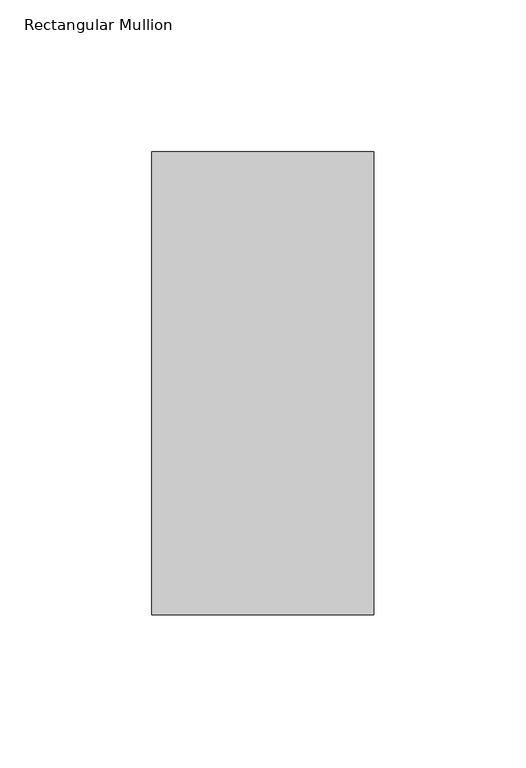
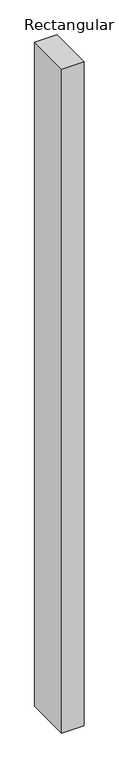
"""IFC4 building model written with IfcOpenShell, lengths in millimetres: member geometry, Rectangular Mullion."""

from ifc_helpers import new_model, si_unit, frame, origin, place, context, project, spatial, polyline, outline, extrude, source, transform, mapped, element, save


def rectangular_mullion_a3133f65(model_context):
    return source(origin(), model_context, "Body", "SweptSolid", [
        extrude(outline(polyline([(-73.025, -26.19375), (-73.025, 126.20625), (0.0, 126.20625), (0.0, -26.19375), (-73.025, -26.19375)])), frame((0.0, 0.0, -2286.0), z_axis=(0.0, 0.0, 1.0), x_axis=(1.0, 0.0, 0.0)), (0.0, 0.0, 1.0), 2286.0),
    ])


if __name__ == "__main__":
    model = new_model("IFC4")
    model_context = context("Model", 3, world=origin())
    ifc_project = project(units=[si_unit("LENGTHUNIT", "METRE", prefix="MILLI")], contexts=[model_context])
    site = spatial("IfcSite", under=ifc_project)
    building = spatial("IfcBuilding", under=site)
    placement = place(None, origin())
    rectangular_mullion_shape = rectangular_mullion_a3133f65(model_context)
    element("IfcMember", 1, ObjectType="Rectangular Mullion", at=placement, inside=building, context=model_context, shape_type="MappedRepresentation", body=[
        mapped(rectangular_mullion_shape, transform((0.0, 0.0, 0.0), x_axis=(1.0, 0.0, 0.0), y_axis=(0.0, 1.0, 0.0), z_axis=(0.0, 0.0, 1.0))),
    ])
    save(model, "model.ifc")
